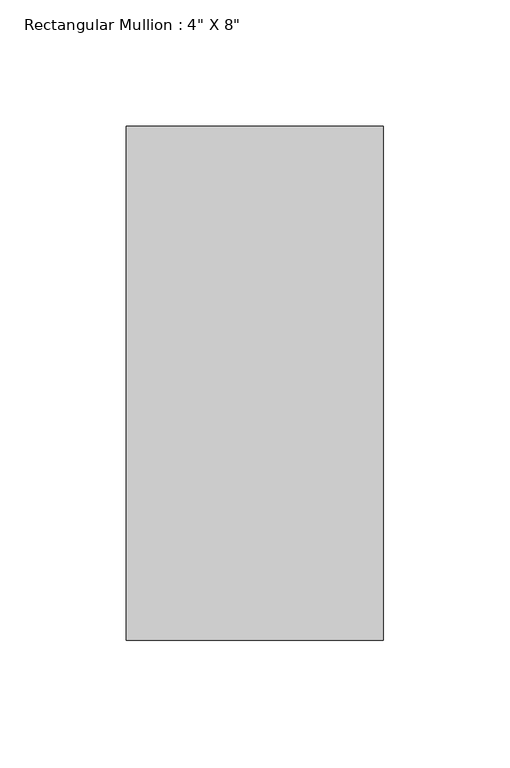
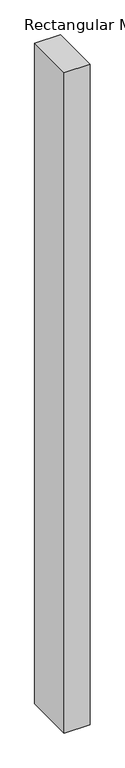
"""IFC4 building model written with IfcOpenShell, lengths in millimetres: member geometry."""

import ifcopenshell
import ifcopenshell.guid

model = None  # the IFC model being written
_history = None  # IfcOwnerHistory: only IFC2X3 demands one
_inside = {}  # id of a spatial element -> (the spatial element, [elements in it])
_under = {}  # id of a project, library or spatial element -> (it, [spatial elements below it])
_declared = {}  # id of a project -> (the project, [libraries it declares])
_typed = {}  # id of a type object -> (the type object, [elements of that type])
_made_of = {}  # id of a material, layer set ... -> (it, [elements and type objects made of it])


def new_model(schema):
    """Start an empty IFC model of exactly this schema.

    Asked for "IFC4X3", IfcOpenShell would pick the latest addendum, in which some entities
    have other attributes; the version numbers below select the first issue.
    IFC2X3 requires an IfcOwnerHistory on every rooted entity: one is made here for all.
    """
    global model, _history
    if schema == "IFC4X3":
        model = ifcopenshell.file(schema_version=(4, 3, 0, 0))
    else:
        model = ifcopenshell.file(schema=schema)
    _inside.clear()
    _under.clear()
    _declared.clear()
    _typed.clear()
    _made_of.clear()
    _history = None
    if model.schema == "IFC2X3":
        org = make("IfcOrganization", Name="unknown")
        user = make(
            "IfcPersonAndOrganization",
            ThePerson=make("IfcPerson", FamilyName="unknown"),
            TheOrganization=org,
        )
        app = make(
            "IfcApplication",
            ApplicationDeveloper=org,
            Version="unknown",
            ApplicationFullName="unknown",
            ApplicationIdentifier="unknown",
        )
        _history = make(
            "IfcOwnerHistory",
            OwningUser=user,
            OwningApplication=app,
            ChangeAction="ADDED",
            CreationDate=0,
        )
    return model


def make(cls, **values):
    """One entity of the class cls with the attributes given. An attribute that is None is left unset."""
    return model.create_entity(
        cls, **{name: value for name, value in values.items() if value is not None}
    )


def rooted(cls, **values):
    """An entity with a GlobalId (a new one), such as an element, a storey or a relation."""
    return make(cls, GlobalId=ifcopenshell.guid.new(), OwnerHistory=_history, **values)


def si_unit(unit_type, name, prefix=None):
    """IfcSIUnit, for example si_unit("LENGTHUNIT", "METRE", prefix="MILLI")."""
    return make("IfcSIUnit", UnitType=unit_type, Prefix=prefix, Name=name)


def assignment(units):
    """IfcUnitAssignment: the units of a project."""
    return None if units is None else make("IfcUnitAssignment", Units=units)


def point(xyz):
    """IfcCartesianPoint."""
    return None if xyz is None else make("IfcCartesianPoint", Coordinates=xyz)


def direction(xyz):
    """IfcDirection."""
    return None if xyz is None else make("IfcDirection", DirectionRatios=xyz)


def frame(location, z_axis=None, x_axis=None):
    """IfcAxis2Placement3D, a coordinate frame: its origin and axes. An axis left out is left unset."""
    return make(
        "IfcAxis2Placement3D",
        Location=point(location),
        Axis=direction(z_axis),
        RefDirection=direction(x_axis),
    )


def origin():
    """The frame at (0, 0, 0) with its axes left unset."""
    return frame((0.0, 0.0, 0.0))


def place(relative_to, where):
    """IfcLocalPlacement: puts the frame where relative to a parent placement (None: the world)."""
    return make(
        "IfcLocalPlacement", PlacementRelTo=relative_to, RelativePlacement=where
    )


def context(
    kind, dimensions, precision=None, world=None, true_north=None, identifier=None
):
    """IfcGeometricRepresentationContext, for example the 3D "Model" context."""
    return make(
        "IfcGeometricRepresentationContext",
        ContextIdentifier=identifier,
        ContextType=kind,
        CoordinateSpaceDimension=dimensions,
        Precision=precision,
        WorldCoordinateSystem=world,
        TrueNorth=true_north,
    )


def project(units=None, contexts=None):
    """IfcProject with its units and contexts."""
    return rooted(
        "IfcProject",
        Name="project",
        RepresentationContexts=contexts,
        UnitsInContext=assignment(units),
    )


def spatial(cls, under=None, at=None, **own):
    """A site, building, storey or space (cls), placed at a placement, below another one or the project."""
    s = rooted(cls, ObjectPlacement=at, **own)
    if under is not None:
        _under.setdefault(under.id(), (under, []))[1].append(s)
    return s


def polyline(points):
    """IfcPolyline through the points."""
    return make("IfcPolyline", Points=[point(p) for p in points])


def outline(outer, holes=None, kind="AREA"):
    """IfcArbitraryClosedProfileDef: a profile drawn as a closed curve; with holes, ...WithVoids."""
    if holes is None:
        return make("IfcArbitraryClosedProfileDef", ProfileType=kind, OuterCurve=outer)
    return make(
        "IfcArbitraryProfileDefWithVoids",
        ProfileType=kind,
        OuterCurve=outer,
        InnerCurves=holes,
    )


def extrude(swept, where, along, depth):
    """IfcExtrudedAreaSolid: the profile swept, set in the frame where, extruded along a direction by depth."""
    return make(
        "IfcExtrudedAreaSolid",
        SweptArea=swept,
        Position=where,
        ExtrudedDirection=direction(along),
        Depth=depth,
    )


def shape(context_of_items, identifier, shape_type, items):
    """IfcShapeRepresentation: the items that make up one representation, for example the "Body"."""
    return make(
        "IfcShapeRepresentation",
        ContextOfItems=context_of_items,
        RepresentationIdentifier=identifier,
        RepresentationType=shape_type,
        Items=items,
    )


def source(mapping_origin, context_of_items, identifier, shape_type, items):
    """IfcRepresentationMap: a shape defined once, which mapped items show again and again."""
    return make(
        "IfcRepresentationMap",
        MappingOrigin=mapping_origin,
        MappedRepresentation=shape(context_of_items, identifier, shape_type, items),
    )


def transform(
    local_origin,
    x_axis=None,
    y_axis=None,
    z_axis=None,
    scale=None,
    scale2=None,
    scale3=None,
    uniform=True,
):
    """IfcCartesianTransformationOperator3D, or its non-uniform kind. x_axis, y_axis, z_axis: its Axis1, 2, 3."""
    if uniform:
        return make(
            "IfcCartesianTransformationOperator3D",
            Axis1=direction(x_axis),
            Axis2=direction(y_axis),
            LocalOrigin=point(local_origin),
            Scale=scale,
            Axis3=direction(z_axis),
        )
    return make(
        "IfcCartesianTransformationOperator3DnonUniform",
        Axis1=direction(x_axis),
        Axis2=direction(y_axis),
        LocalOrigin=point(local_origin),
        Scale=scale,
        Axis3=direction(z_axis),
        Scale2=scale2,
        Scale3=scale3,
    )


def mapped(mapping_source, mapping_target):
    """IfcMappedItem: shows the shape of a source again, moved by a transform."""
    return make(
        "IfcMappedItem", MappingSource=mapping_source, MappingTarget=mapping_target
    )


def made_of(thing, what):
    """Note that an element or type object is made of a material, layer set ...; save() writes the relation."""
    if what is not None:
        _made_of.setdefault(what.id(), (what, []))[1].append(thing)
    return thing


def element(
    cls,
    number,
    at=None,
    inside=None,
    cuts=None,
    type_object=None,
    material=None,
    context=None,
    identifier="Body",
    shape_type=None,
    held_by="IfcProductDefinitionShape",
    body=None,
    shapes=None,
    **own,
):
    """One element of the class cls, such as IfcWall. Its Tag is "e" and its number.

    at: its placement. inside: the storey or other place that contains it. cuts: it is an
    opening in that element (IfcRelVoidsElement). A single representation is given by context,
    identifier, shape_type and body (its items); several are given by shapes. held_by: the class
    of the entity that holds the representations. save() writes the other relations.
    """
    e = rooted(cls, Tag="e%d" % number, ObjectPlacement=at, **own)
    if body is not None:
        shapes = [shape(context, identifier, shape_type, body)]
    if shapes is not None:
        e.Representation = make(held_by, Representations=shapes)
    if inside is not None:
        _inside.setdefault(inside.id(), (inside, []))[1].append(e)
    if cuts is not None:
        rooted(
            "IfcRelVoidsElement", RelatingBuildingElement=cuts, RelatedOpeningElement=e
        )
    if type_object is not None:
        _typed.setdefault(type_object.id(), (type_object, []))[1].append(e)
    return made_of(e, material)


def aggregate(whole, parts):
    """IfcRelAggregates: a whole, such as a stair, and the parts it consists of."""
    return rooted("IfcRelAggregates", RelatingObject=whole, RelatedObjects=parts)


def save(model, path):
    """Write the relations noted so far, then the file.

    IfcRelAggregates (storeys below a building ...), IfcRelContainedInSpatialStructure (elements
    in a storey), IfcRelDefinesByType, IfcRelAssociatesMaterial and IfcRelDeclares: one each for
    every whole, place, type object, material and project.
    """
    for whole, parts in _under.values():
        aggregate(whole, parts)
    for where, things in _inside.values():
        rooted(
            "IfcRelContainedInSpatialStructure",
            RelatedElements=things,
            RelatingStructure=where,
        )
    for kind, things in _typed.values():
        rooted("IfcRelDefinesByType", RelatedObjects=things, RelatingType=kind)
    for what, things in _made_of.values():
        rooted("IfcRelAssociatesMaterial", RelatedObjects=things, RelatingMaterial=what)
    for by, libraries in _declared.values():
        rooted("IfcRelDeclares", RelatingContext=by, RelatedDefinitions=libraries)
    model.write(path)


def member_99f02dfa(model_context):
    return source(origin(), model_context, "Body", "SweptSolid", [
        extrude(outline(polyline([(50.8, 139.7), (50.8, -63.5), (-50.8, -63.5), (-50.8, 139.7), (50.8, 139.7)])), frame((0.0, 0.0, -2768.6), z_axis=(0.0, 0.0, 1.0), x_axis=(1.0, 0.0, 0.0)), (0.0, 0.0, 1.0), 2768.6),
    ])


if __name__ == "__main__":
    model = new_model("IFC4")
    model_context = context("Model", 3, world=origin())
    ifc_project = project(units=[si_unit("LENGTHUNIT", "METRE", prefix="MILLI")], contexts=[model_context])
    site = spatial("IfcSite", under=ifc_project)
    building = spatial("IfcBuilding", under=site)
    placement = place(None, origin())
    member_shape = member_99f02dfa(model_context)
    element("IfcMember", 1, ObjectType="Rectangular Mullion : 4\" X 8\"", at=placement, inside=building, context=model_context, shape_type="MappedRepresentation", body=[
        mapped(member_shape, transform((0.0, 0.0, 0.0), x_axis=(1.0, 0.0, 0.0), y_axis=(0.0, 1.0, 0.0), z_axis=(0.0, 0.0, 1.0))),
    ])
    save(model, "model.ifc")
